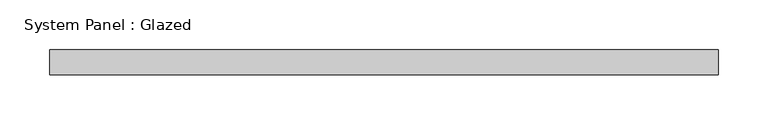
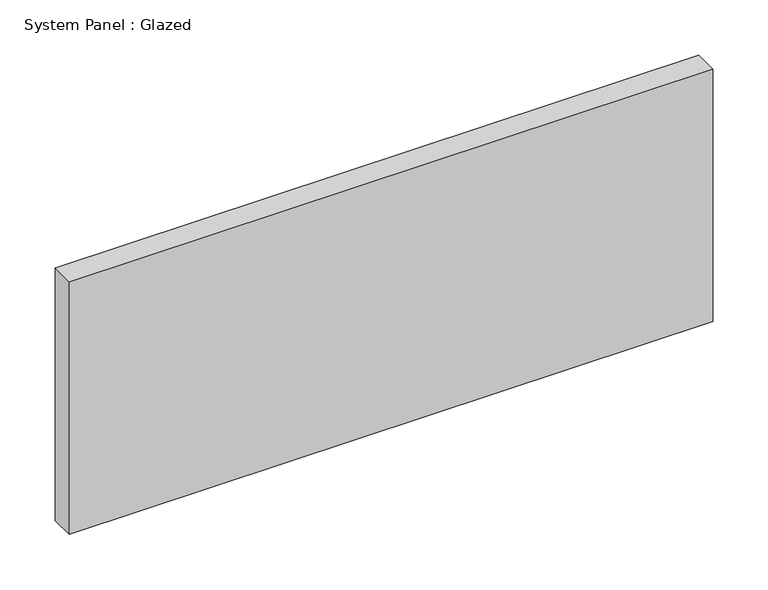
"""IFC4 building model written with IfcOpenShell, lengths in millimetres: plate geometry, System Panel : Glazed."""

from ifc_helpers import new_model, si_unit, origin, origin_with_axes, place, context, project, spatial, polyline, outline, extrude, source, transform, mapped, element, save


def system_panel_glazed_4f9e1f1b(model_context):
    return source(origin(), model_context, "Body", "SweptSolid", [
        extrude(outline(polyline([(336.55, 19.05), (-336.55, 19.05), (-336.55, 44.45), (336.55, 44.45), (336.55, 19.05)])), origin_with_axes(), (0.0, 0.0, 1.0), 279.4),
    ])


if __name__ == "__main__":
    model = new_model("IFC4")
    model_context = context("Model", 3, world=origin())
    ifc_project = project(units=[si_unit("LENGTHUNIT", "METRE", prefix="MILLI")], contexts=[model_context])
    site = spatial("IfcSite", under=ifc_project)
    building = spatial("IfcBuilding", under=site)
    placement = place(None, origin())
    system_panel_glazed_shape = system_panel_glazed_4f9e1f1b(model_context)
    element("IfcPlate", 1, ObjectType="System Panel : Glazed", at=placement, inside=building, context=model_context, shape_type="MappedRepresentation", body=[
        mapped(system_panel_glazed_shape, transform((0.0, 0.0, 0.0), x_axis=(1.0, 0.0, 0.0), y_axis=(0.0, 1.0, 0.0), z_axis=(0.0, 0.0, 1.0))),
    ])
    save(model, "model.ifc")
